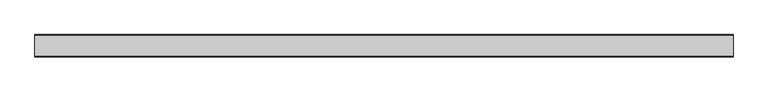
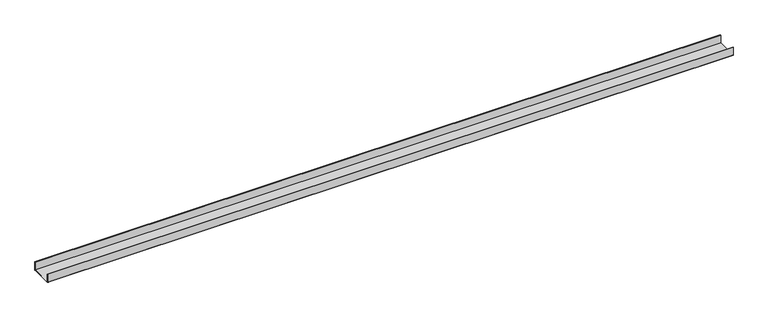
"""IFC4 building model written with IfcOpenShell, lengths in millimetres: proxy geometry."""

from ifc_helpers import new_model, si_unit, point, frame, frame_2d, origin, place, context, project, spatial, polyline, circle_curve, trimmed, segment, composite_curve, outline, extrude, source, transform, mapped, element, save


def generic_models_77cdf8e6(model_context):
    return source(origin(), model_context, "Body", "SweptSolid", [
        extrude(outline(composite_curve([segment(polyline([(-50.5, 2.0), (-50.5, 40.0), (-48.5, 40.0), (-48.5, 2.0), (48.5, 2.0), (48.5, 40.0), (50.5, 40.0), (50.5, 2.0)]), True, "CONTINUOUS"), segment(trimmed(circle_curve(frame_2d((48.5, 2.0)), 2.0), [point((50.5, 2.0))], [point((48.5, 0.0))], False, "CARTESIAN"), True, "CONTINUOUS"), segment(polyline([(48.5, 0.0), (-48.5, 0.0)]), True, "CONTINUOUS"), segment(trimmed(circle_curve(frame_2d((-48.5, 2.0)), 2.0), [point((-48.5, 0.0))], [point((-50.5, 2.0))], False, "CARTESIAN"), True, "CONTINUOUS")], self_intersect=False)), frame((0.0, 0.0, 0.0), z_axis=(1.0, 0.0, 0.0), x_axis=(0.0, 1.0, 0.0)), (0.0, 0.0, 1.0), 3167.5345625),
    ])


if __name__ == "__main__":
    model = new_model("IFC4")
    model_context = context("Model", 3, world=origin())
    ifc_project = project(units=[si_unit("LENGTHUNIT", "METRE", prefix="MILLI")], contexts=[model_context])
    site = spatial("IfcSite", under=ifc_project)
    building = spatial("IfcBuilding", under=site)
    placement = place(None, origin())
    generic_models_shape = generic_models_77cdf8e6(model_context)
    element("IfcBuildingElementProxy", 1, Name="Generic Models", at=placement, inside=building, context=model_context, shape_type="MappedRepresentation", body=[
        mapped(generic_models_shape, transform((0.0, 0.0, 0.0), x_axis=(1.0, 0.0, 0.0), y_axis=(0.0, 1.0, 0.0), z_axis=(0.0, 0.0, 1.0))),
    ])
    save(model, "model.ifc")
